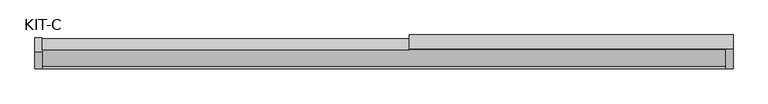
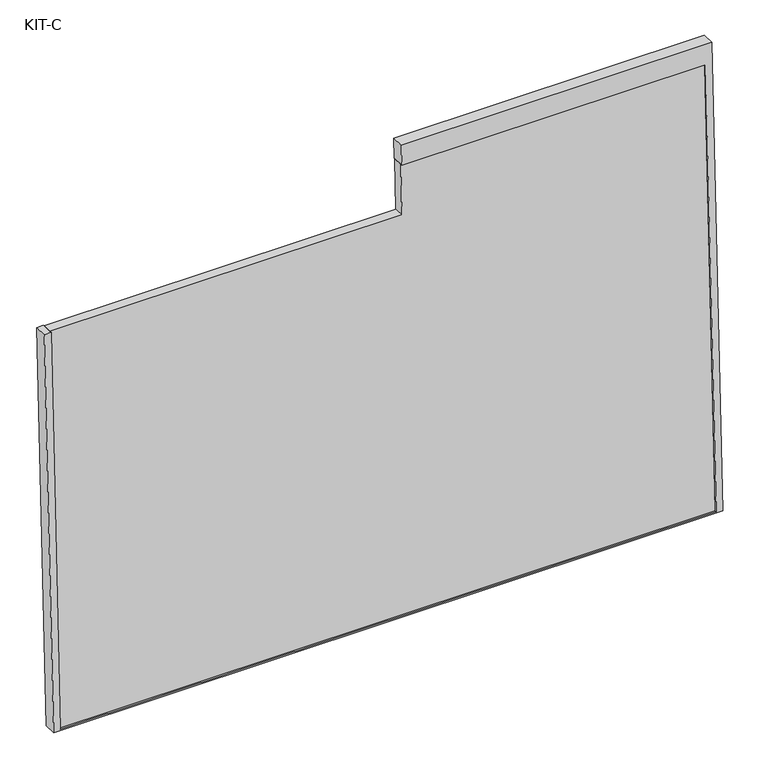
"""IFC4 building model written with IfcOpenShell, lengths in millimetres: plate geometry, KIT-C."""

from ifc_helpers import new_model, si_unit, frame, origin, place, context, project, spatial, polyline, outline, extrude, source, transform, mapped, element, save


def kit_c_045f11ab(model_context):
    return source(origin(), model_context, "Body", "SweptSolid", [
        extrude(outline(polyline([(0.0, -1754.0), (-1236.531593, -1754.0), (-1236.531593, 0.0), (-140.0, 0.0), (-140.0, -941.5), (0.0, -941.5), (0.0, -1754.0)])), frame((-877.0, 7.6386598, 1185.0003484), z_axis=(0.0, -0.9992101801000246, 0.039736834102334216), x_axis=(0.0, 0.039736834102334216, 0.9992101801000246)), (0.0, 0.0, 1.0), 27.4505712),
        extrude(outline(polyline([(0.0, -1791.0), (-1295.0000001, -1791.0), (-1295.0000001, 0.0), (-195.0000001, 0.0), (-195.0000001, -18.5), (-1291.531593, -18.5), (-1291.531593, -1772.5), (-55.0, -1772.5), (-55.0, -960.0), (0.0, -960.0), (0.0, -1791.0)])), frame((-895.5, 12.3716008, 1239.8556021), z_axis=(0.0, -0.9992101801000247, 0.03973683410233422), x_axis=(0.0, 0.03973683410233422, 0.9992101801000247)), (0.0, 0.0, 1.0), 35.0),
    ])


if __name__ == "__main__":
    model = new_model("IFC4")
    model_context = context("Model", 3, world=origin())
    ifc_project = project(units=[si_unit("LENGTHUNIT", "METRE", prefix="MILLI")], contexts=[model_context])
    site = spatial("IfcSite", under=ifc_project)
    building = spatial("IfcBuilding", under=site)
    placement = place(None, origin())
    kit_c_shape = kit_c_045f11ab(model_context)
    element("IfcPlate", 1, ObjectType="KIT-C", at=placement, inside=building, context=model_context, shape_type="MappedRepresentation", body=[
        mapped(kit_c_shape, transform((0.0, 0.0, 0.0), x_axis=(1.0, 0.0, 0.0), y_axis=(0.0, 1.0, 0.0), z_axis=(0.0, 0.0, 1.0))),
    ])
    save(model, "model.ifc")
